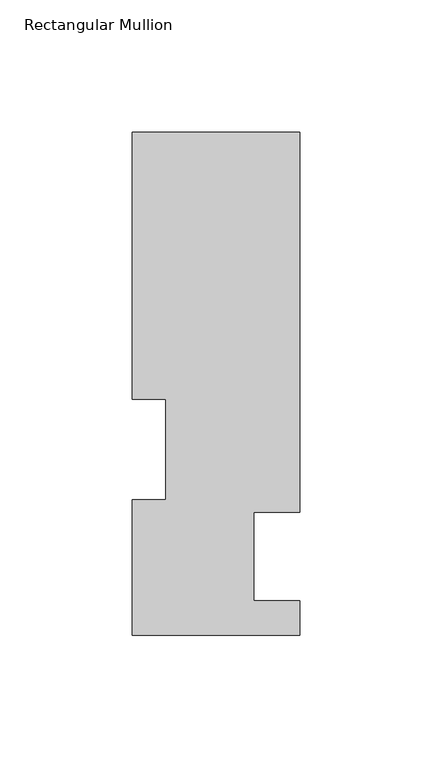
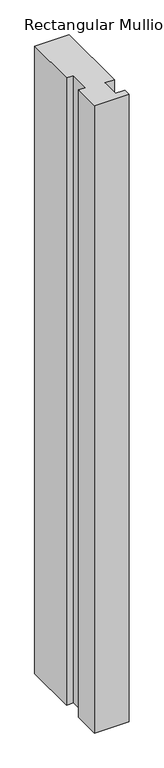
"""IFC4 building model written with IfcOpenShell, lengths in millimetres: member geometry, Rectangular Mullion."""

from ifc_helpers import new_model, si_unit, frame, origin, place, context, project, spatial, polyline, outline, extrude, source, transform, mapped, element, save


def rectangular_mullion_550e5a35(model_context):
    return source(origin(), model_context, "Body", "SweptSolid", [
        extrude(outline(polyline([(31.7500003, 46.7447312), (14.2748, 46.7447312), (14.2748, 13.3945313), (31.75, 13.3945313), (31.75, 0.2119313), (-31.75, 0.2119313), (-31.75, 51.4945313), (-19.05, 51.4945313), (-19.05, 89.5945313), (-31.7499996, 89.5945313), (-31.7499996, 190.7881312), (31.7500003, 190.7881312), (31.7500003, 46.7447312)])), frame((0.0, 0.0, -1219.2), z_axis=(0.0, 0.0, 1.0), x_axis=(1.0, 0.0, 0.0)), (0.0, 0.0, 1.0), 1219.2),
    ])


if __name__ == "__main__":
    model = new_model("IFC4")
    model_context = context("Model", 3, world=origin())
    ifc_project = project(units=[si_unit("LENGTHUNIT", "METRE", prefix="MILLI")], contexts=[model_context])
    site = spatial("IfcSite", under=ifc_project)
    building = spatial("IfcBuilding", under=site)
    placement = place(None, origin())
    rectangular_mullion_shape = rectangular_mullion_550e5a35(model_context)
    element("IfcMember", 1, ObjectType="Rectangular Mullion", at=placement, inside=building, context=model_context, shape_type="MappedRepresentation", body=[
        mapped(rectangular_mullion_shape, transform((0.0, 0.0, 0.0), x_axis=(1.0, 0.0, 0.0), y_axis=(0.0, 1.0, 0.0), z_axis=(0.0, 0.0, 1.0))),
    ])
    save(model, "model.ifc")
